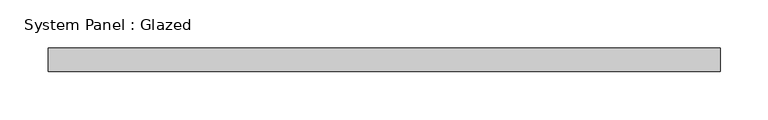
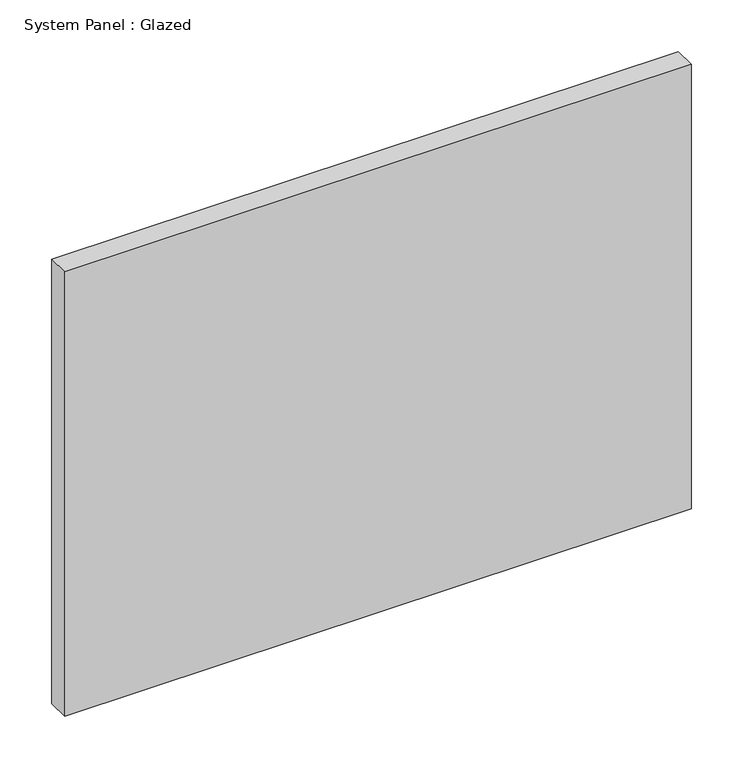
"""IFC4 building model written with IfcOpenShell, lengths in millimetres: plate geometry, System Panel : Glazed."""

from ifc_helpers import new_model, si_unit, origin, origin_with_axes, place, context, project, spatial, polyline, outline, extrude, source, transform, mapped, element, save


def system_panel_glazed_89b451fe(model_context):
    return source(origin(), model_context, "Body", "SweptSolid", [
        extrude(outline(polyline([(350.0, -49.5), (-350.0, -49.5), (-350.0, -24.5), (350.0, -24.5), (350.0, -49.5)])), origin_with_axes(), (0.0, 0.0, 1.0), 525.0),
    ])


if __name__ == "__main__":
    model = new_model("IFC4")
    model_context = context("Model", 3, world=origin())
    ifc_project = project(units=[si_unit("LENGTHUNIT", "METRE", prefix="MILLI")], contexts=[model_context])
    site = spatial("IfcSite", under=ifc_project)
    building = spatial("IfcBuilding", under=site)
    placement = place(None, origin())
    system_panel_glazed_shape = system_panel_glazed_89b451fe(model_context)
    element("IfcPlate", 1, ObjectType="System Panel : Glazed", at=placement, inside=building, context=model_context, shape_type="MappedRepresentation", body=[
        mapped(system_panel_glazed_shape, transform((0.0, 0.0, 0.0), x_axis=(1.0, 0.0, 0.0), y_axis=(0.0, 1.0, 0.0), z_axis=(0.0, 0.0, 1.0))),
    ])
    save(model, "model.ifc")
